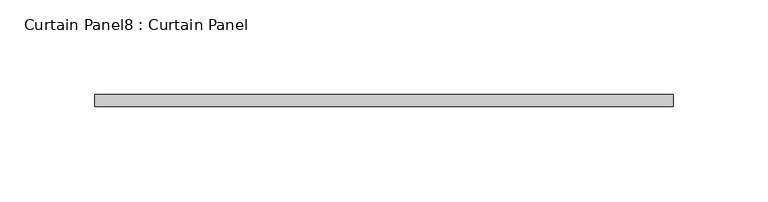
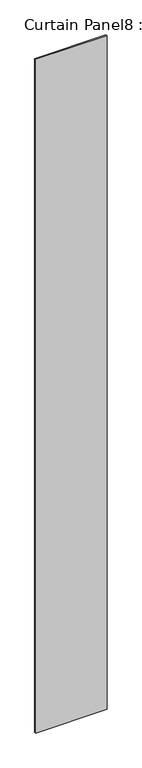
"""IFC4 building model written with IfcOpenShell, lengths in millimetres: plate geometry, Curtain Panel8 : Curtain Panel."""

from ifc_helpers import new_model, si_unit, origin, origin_with_axes, place, context, project, spatial, polyline, outline, extrude, source, transform, mapped, element, save


def curtain_panel8_curtain_panel_9069443d(model_context):
    return source(origin(), model_context, "Body", "SweptSolid", [
        extrude(outline(polyline([(507493.0874567, 2390.1568658), (507799.2572926, 2390.1568658), (507799.2572926, 2383.8068658), (507493.0874567, 2383.8068658), (507493.0874567, 2390.1568658)])), origin_with_axes(), (0.0, 0.0, 1.0), 3048.0),
    ])


if __name__ == "__main__":
    model = new_model("IFC4")
    model_context = context("Model", 3, world=origin())
    ifc_project = project(units=[si_unit("LENGTHUNIT", "METRE", prefix="MILLI")], contexts=[model_context])
    site = spatial("IfcSite", under=ifc_project)
    building = spatial("IfcBuilding", under=site)
    placement = place(None, origin())
    curtain_panel8_curtain_panel_shape = curtain_panel8_curtain_panel_9069443d(model_context)
    element("IfcPlate", 1, ObjectType="Curtain Panel8 : Curtain Panel", at=placement, inside=building, context=model_context, shape_type="MappedRepresentation", body=[
        mapped(curtain_panel8_curtain_panel_shape, transform((0.0, 0.0, 0.0), x_axis=(1.0, 0.0, 0.0), y_axis=(0.0, 1.0, 0.0), z_axis=(0.0, 0.0, 1.0))),
    ])
    save(model, "model.ifc")
